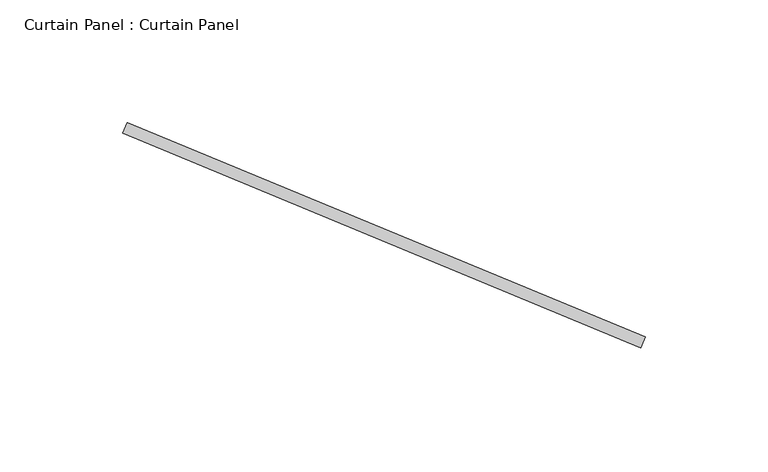
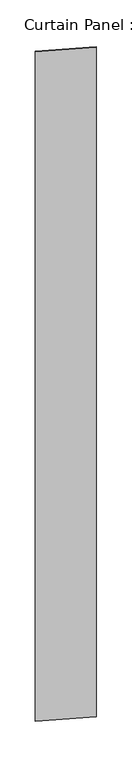
"""IFC4 building model written with IfcOpenShell, lengths in millimetres: plate geometry, Curtain Panel : Curtain Panel."""

from ifc_helpers import new_model, si_unit, origin, origin_with_axes, place, context, project, spatial, polyline, outline, extrude, source, transform, mapped, element, save


def curtain_panel_curtain_panel_54fe69d2(model_context):
    return source(origin(), model_context, "Body", "SweptSolid", [
        extrude(outline(polyline([(4162.0672314, 92777.5471425), (3950.8594552, 92865.0070491), (3952.6815366, 92869.4072111), (4163.8893128, 92781.9473045), (4162.0672314, 92777.5471425)])), origin_with_axes(), (0.0, 0.0, 1.0), 3048.0),
    ])


if __name__ == "__main__":
    model = new_model("IFC4")
    model_context = context("Model", 3, world=origin())
    ifc_project = project(units=[si_unit("LENGTHUNIT", "METRE", prefix="MILLI")], contexts=[model_context])
    site = spatial("IfcSite", under=ifc_project)
    building = spatial("IfcBuilding", under=site)
    placement = place(None, origin())
    curtain_panel_curtain_panel_shape = curtain_panel_curtain_panel_54fe69d2(model_context)
    element("IfcPlate", 1, ObjectType="Curtain Panel : Curtain Panel", at=placement, inside=building, context=model_context, shape_type="MappedRepresentation", body=[
        mapped(curtain_panel_curtain_panel_shape, transform((0.0, 0.0, 0.0), x_axis=(1.0, 0.0, 0.0), y_axis=(0.0, 1.0, 0.0), z_axis=(0.0, 0.0, 1.0))),
    ])
    save(model, "model.ifc")
